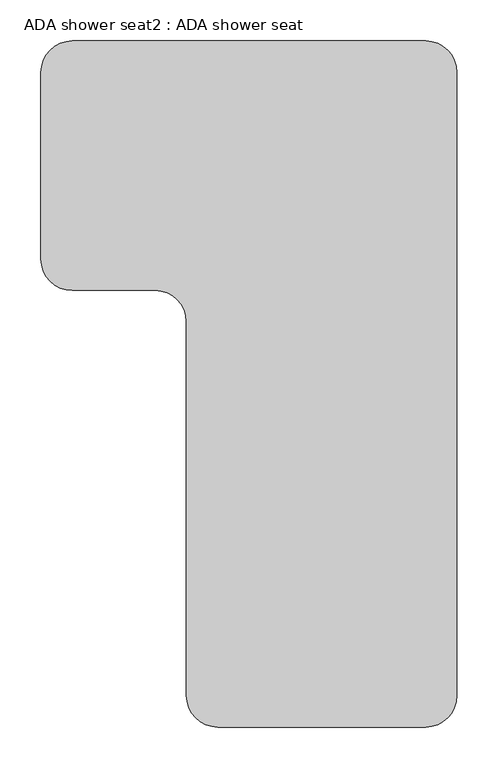
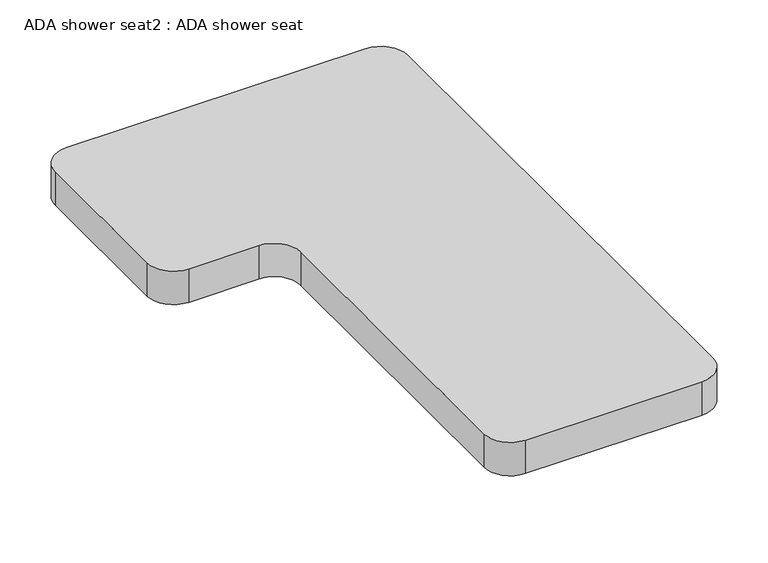
"""IFC4 building model written with IfcOpenShell, lengths in millimetres: proxy geometry, ADA shower seat2 : ADA shower seat."""

import ifcopenshell
import ifcopenshell.guid

model = None  # the IFC model being written
_history = None  # IfcOwnerHistory: only IFC2X3 demands one
_inside = {}  # id of a spatial element -> (the spatial element, [elements in it])
_under = {}  # id of a project, library or spatial element -> (it, [spatial elements below it])
_declared = {}  # id of a project -> (the project, [libraries it declares])
_typed = {}  # id of a type object -> (the type object, [elements of that type])
_made_of = {}  # id of a material, layer set ... -> (it, [elements and type objects made of it])


def new_model(schema):
    """Start an empty IFC model of exactly this schema.

    Asked for "IFC4X3", IfcOpenShell would pick the latest addendum, in which some entities
    have other attributes; the version numbers below select the first issue.
    IFC2X3 requires an IfcOwnerHistory on every rooted entity: one is made here for all.
    """
    global model, _history
    if schema == "IFC4X3":
        model = ifcopenshell.file(schema_version=(4, 3, 0, 0))
    else:
        model = ifcopenshell.file(schema=schema)
    _inside.clear()
    _under.clear()
    _declared.clear()
    _typed.clear()
    _made_of.clear()
    _history = None
    if model.schema == "IFC2X3":
        org = make("IfcOrganization", Name="unknown")
        user = make(
            "IfcPersonAndOrganization",
            ThePerson=make("IfcPerson", FamilyName="unknown"),
            TheOrganization=org,
        )
        app = make(
            "IfcApplication",
            ApplicationDeveloper=org,
            Version="unknown",
            ApplicationFullName="unknown",
            ApplicationIdentifier="unknown",
        )
        _history = make(
            "IfcOwnerHistory",
            OwningUser=user,
            OwningApplication=app,
            ChangeAction="ADDED",
            CreationDate=0,
        )
    return model


def make(cls, **values):
    """One entity of the class cls with the attributes given. An attribute that is None is left unset."""
    return model.create_entity(
        cls, **{name: value for name, value in values.items() if value is not None}
    )


def rooted(cls, **values):
    """An entity with a GlobalId (a new one), such as an element, a storey or a relation."""
    return make(cls, GlobalId=ifcopenshell.guid.new(), OwnerHistory=_history, **values)


def si_unit(unit_type, name, prefix=None):
    """IfcSIUnit, for example si_unit("LENGTHUNIT", "METRE", prefix="MILLI")."""
    return make("IfcSIUnit", UnitType=unit_type, Prefix=prefix, Name=name)


def assignment(units):
    """IfcUnitAssignment: the units of a project."""
    return None if units is None else make("IfcUnitAssignment", Units=units)


def point(xyz):
    """IfcCartesianPoint."""
    return None if xyz is None else make("IfcCartesianPoint", Coordinates=xyz)


def direction(xyz):
    """IfcDirection."""
    return None if xyz is None else make("IfcDirection", DirectionRatios=xyz)


def frame(location, z_axis=None, x_axis=None):
    """IfcAxis2Placement3D, a coordinate frame: its origin and axes. An axis left out is left unset."""
    return make(
        "IfcAxis2Placement3D",
        Location=point(location),
        Axis=direction(z_axis),
        RefDirection=direction(x_axis),
    )


def frame_2d(location, x_axis=None):
    """IfcAxis2Placement2D, a coordinate frame in the plane: its origin and x axis."""
    return make(
        "IfcAxis2Placement2D", Location=point(location), RefDirection=direction(x_axis)
    )


def origin():
    """The frame at (0, 0, 0) with its axes left unset."""
    return frame((0.0, 0.0, 0.0))


def place(relative_to, where):
    """IfcLocalPlacement: puts the frame where relative to a parent placement (None: the world)."""
    return make(
        "IfcLocalPlacement", PlacementRelTo=relative_to, RelativePlacement=where
    )


def context(
    kind, dimensions, precision=None, world=None, true_north=None, identifier=None
):
    """IfcGeometricRepresentationContext, for example the 3D "Model" context."""
    return make(
        "IfcGeometricRepresentationContext",
        ContextIdentifier=identifier,
        ContextType=kind,
        CoordinateSpaceDimension=dimensions,
        Precision=precision,
        WorldCoordinateSystem=world,
        TrueNorth=true_north,
    )


def project(units=None, contexts=None):
    """IfcProject with its units and contexts."""
    return rooted(
        "IfcProject",
        Name="project",
        RepresentationContexts=contexts,
        UnitsInContext=assignment(units),
    )


def spatial(cls, under=None, at=None, **own):
    """A site, building, storey or space (cls), placed at a placement, below another one or the project."""
    s = rooted(cls, ObjectPlacement=at, **own)
    if under is not None:
        _under.setdefault(under.id(), (under, []))[1].append(s)
    return s


def polyline(points):
    """IfcPolyline through the points."""
    return make("IfcPolyline", Points=[point(p) for p in points])


def circle_curve(where, radius):
    """IfcCircle in the frame where."""
    return make("IfcCircle", Position=where, Radius=radius)


def trimmed(basis, trim1, trim2, sense, master):
    """IfcTrimmedCurve: the piece of a basis curve between two trims."""
    return make(
        "IfcTrimmedCurve",
        BasisCurve=basis,
        Trim1=trim1,
        Trim2=trim2,
        SenseAgreement=sense,
        MasterRepresentation=master,
    )


def segment(curve, same_sense, transition):
    """IfcCompositeCurveSegment."""
    return make(
        "IfcCompositeCurveSegment",
        Transition=transition,
        SameSense=same_sense,
        ParentCurve=curve,
    )


def composite_curve(segments, self_intersect=None):
    """IfcCompositeCurve: segments joined end to end."""
    return make("IfcCompositeCurve", Segments=segments, SelfIntersect=self_intersect)


def outline(outer, holes=None, kind="AREA"):
    """IfcArbitraryClosedProfileDef: a profile drawn as a closed curve; with holes, ...WithVoids."""
    if holes is None:
        return make("IfcArbitraryClosedProfileDef", ProfileType=kind, OuterCurve=outer)
    return make(
        "IfcArbitraryProfileDefWithVoids",
        ProfileType=kind,
        OuterCurve=outer,
        InnerCurves=holes,
    )


def extrude(swept, where, along, depth):
    """IfcExtrudedAreaSolid: the profile swept, set in the frame where, extruded along a direction by depth."""
    return make(
        "IfcExtrudedAreaSolid",
        SweptArea=swept,
        Position=where,
        ExtrudedDirection=direction(along),
        Depth=depth,
    )


def shape(context_of_items, identifier, shape_type, items):
    """IfcShapeRepresentation: the items that make up one representation, for example the "Body"."""
    return make(
        "IfcShapeRepresentation",
        ContextOfItems=context_of_items,
        RepresentationIdentifier=identifier,
        RepresentationType=shape_type,
        Items=items,
    )


def source(mapping_origin, context_of_items, identifier, shape_type, items):
    """IfcRepresentationMap: a shape defined once, which mapped items show again and again."""
    return make(
        "IfcRepresentationMap",
        MappingOrigin=mapping_origin,
        MappedRepresentation=shape(context_of_items, identifier, shape_type, items),
    )


def transform(
    local_origin,
    x_axis=None,
    y_axis=None,
    z_axis=None,
    scale=None,
    scale2=None,
    scale3=None,
    uniform=True,
):
    """IfcCartesianTransformationOperator3D, or its non-uniform kind. x_axis, y_axis, z_axis: its Axis1, 2, 3."""
    if uniform:
        return make(
            "IfcCartesianTransformationOperator3D",
            Axis1=direction(x_axis),
            Axis2=direction(y_axis),
            LocalOrigin=point(local_origin),
            Scale=scale,
            Axis3=direction(z_axis),
        )
    return make(
        "IfcCartesianTransformationOperator3DnonUniform",
        Axis1=direction(x_axis),
        Axis2=direction(y_axis),
        LocalOrigin=point(local_origin),
        Scale=scale,
        Axis3=direction(z_axis),
        Scale2=scale2,
        Scale3=scale3,
    )


def mapped(mapping_source, mapping_target):
    """IfcMappedItem: shows the shape of a source again, moved by a transform."""
    return make(
        "IfcMappedItem", MappingSource=mapping_source, MappingTarget=mapping_target
    )


def made_of(thing, what):
    """Note that an element or type object is made of a material, layer set ...; save() writes the relation."""
    if what is not None:
        _made_of.setdefault(what.id(), (what, []))[1].append(thing)
    return thing


def element(
    cls,
    number,
    at=None,
    inside=None,
    cuts=None,
    type_object=None,
    material=None,
    context=None,
    identifier="Body",
    shape_type=None,
    held_by="IfcProductDefinitionShape",
    body=None,
    shapes=None,
    **own,
):
    """One element of the class cls, such as IfcWall. Its Tag is "e" and its number.

    at: its placement. inside: the storey or other place that contains it. cuts: it is an
    opening in that element (IfcRelVoidsElement). A single representation is given by context,
    identifier, shape_type and body (its items); several are given by shapes. held_by: the class
    of the entity that holds the representations. save() writes the other relations.
    """
    e = rooted(cls, Tag="e%d" % number, ObjectPlacement=at, **own)
    if body is not None:
        shapes = [shape(context, identifier, shape_type, body)]
    if shapes is not None:
        e.Representation = make(held_by, Representations=shapes)
    if inside is not None:
        _inside.setdefault(inside.id(), (inside, []))[1].append(e)
    if cuts is not None:
        rooted(
            "IfcRelVoidsElement", RelatingBuildingElement=cuts, RelatedOpeningElement=e
        )
    if type_object is not None:
        _typed.setdefault(type_object.id(), (type_object, []))[1].append(e)
    return made_of(e, material)


def aggregate(whole, parts):
    """IfcRelAggregates: a whole, such as a stair, and the parts it consists of."""
    return rooted("IfcRelAggregates", RelatingObject=whole, RelatedObjects=parts)


def save(model, path):
    """Write the relations noted so far, then the file.

    IfcRelAggregates (storeys below a building ...), IfcRelContainedInSpatialStructure (elements
    in a storey), IfcRelDefinesByType, IfcRelAssociatesMaterial and IfcRelDeclares: one each for
    every whole, place, type object, material and project.
    """
    for whole, parts in _under.values():
        aggregate(whole, parts)
    for where, things in _inside.values():
        rooted(
            "IfcRelContainedInSpatialStructure",
            RelatedElements=things,
            RelatingStructure=where,
        )
    for kind, things in _typed.values():
        rooted("IfcRelDefinesByType", RelatedObjects=things, RelatingType=kind)
    for what, things in _made_of.values():
        rooted("IfcRelAssociatesMaterial", RelatedObjects=things, RelatingMaterial=what)
    for by, libraries in _declared.values():
        rooted("IfcRelDeclares", RelatingContext=by, RelatedDefinitions=libraries)
    model.write(path)


def ada_shower_seat2_ada_shower_seat_a7ac8f15(model_context):
    return source(origin(), model_context, "Body", "SweptSolid", [
        extrude(outline(composite_curve([segment(polyline([(917108.8476142, 52304.95), (917540.6476142, 52304.95)]), True, "CONTINUOUS"), segment(trimmed(circle_curve(frame_2d((917540.6476142, 52266.85)), 38.1), [point((917540.6476142, 52304.95))], [point((917578.7476142, 52266.85))], False, "CARTESIAN"), True, "CONTINUOUS"), segment(polyline([(917578.7476142, 52266.85), (917578.7476142, 51504.85)]), True, "CONTINUOUS"), segment(trimmed(circle_curve(frame_2d((917540.6476142, 51504.85)), 38.1), [point((917578.7476142, 51504.85))], [point((917540.6476142, 51466.75))], False, "CARTESIAN"), True, "CONTINUOUS"), segment(polyline([(917540.6476142, 51466.75), (917286.6476142, 51466.75)]), True, "CONTINUOUS"), segment(trimmed(circle_curve(frame_2d((917286.6476142, 51504.85)), 38.1), [point((917286.6476142, 51466.75))], [point((917248.5476142, 51504.85))], False, "CARTESIAN"), True, "CONTINUOUS"), segment(polyline([(917248.5476142, 51504.85), (917248.5476142, 51962.05)]), True, "CONTINUOUS"), segment(trimmed(circle_curve(frame_2d((917210.4476142, 51962.05)), 38.1), [point((917248.5476142, 51962.05))], [point((917210.4476142, 52000.15))], True, "CARTESIAN"), True, "CONTINUOUS"), segment(polyline([(917210.4476142, 52000.15), (917108.8476142, 52000.15)]), True, "CONTINUOUS"), segment(trimmed(circle_curve(frame_2d((917108.8476142, 52038.25)), 38.1), [point((917108.8476142, 52000.15))], [point((917070.7476142, 52038.25))], False, "CARTESIAN"), True, "CONTINUOUS"), segment(polyline([(917070.7476142, 52038.25), (917070.7476142, 52266.85)]), True, "CONTINUOUS"), segment(trimmed(circle_curve(frame_2d((917108.8476142, 52266.85)), 38.1), [point((917070.7476142, 52266.85))], [point((917108.8476142, 52304.95))], False, "CARTESIAN"), True, "CONTINUOUS")], self_intersect=False)), frame((0.0, 0.0, 406.4), z_axis=(0.0, 0.0, 1.0), x_axis=(1.0, 0.0, 0.0)), (0.0, 0.0, 1.0), 50.8),
    ])


if __name__ == "__main__":
    model = new_model("IFC4")
    model_context = context("Model", 3, world=origin())
    ifc_project = project(units=[si_unit("LENGTHUNIT", "METRE", prefix="MILLI")], contexts=[model_context])
    site = spatial("IfcSite", under=ifc_project)
    building = spatial("IfcBuilding", under=site)
    placement = place(None, origin())
    ada_shower_seat2_ada_shower_seat_shape = ada_shower_seat2_ada_shower_seat_a7ac8f15(model_context)
    element("IfcBuildingElementProxy", 1, Name="ADA shower seat2 : ADA shower seat", ObjectType="ADA shower seat2 : ADA shower seat", at=placement, inside=building, context=model_context, shape_type="MappedRepresentation", body=[
        mapped(ada_shower_seat2_ada_shower_seat_shape, transform((0.0, 0.0, 0.0), x_axis=(1.0, 0.0, 0.0), y_axis=(0.0, 1.0, 0.0), z_axis=(0.0, 0.0, 1.0))),
    ])
    save(model, "model.ifc")
